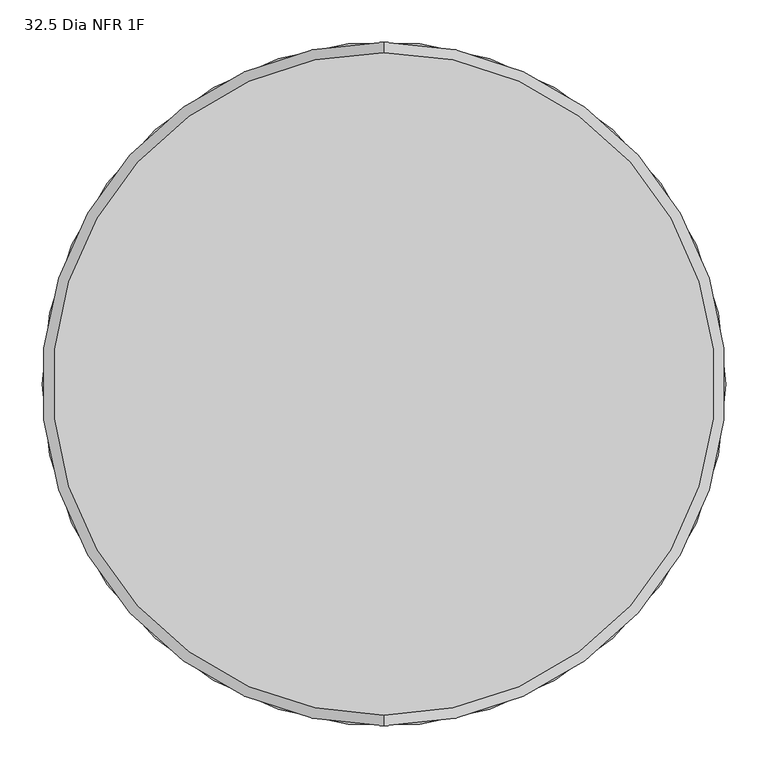
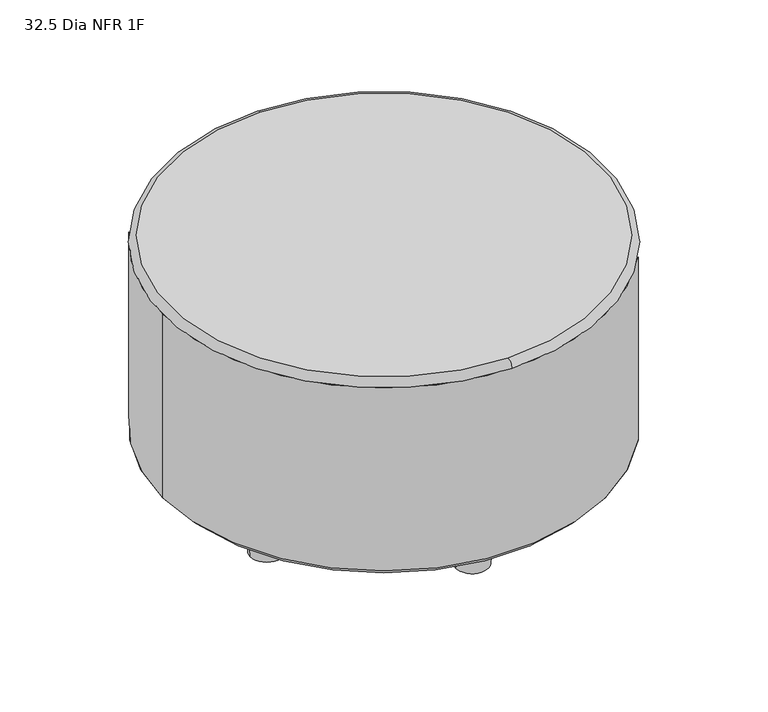
"""IFC4 building model written with IfcOpenShell, lengths in millimetres: furniture geometry, 32.5 Dia NFR 1F."""

from ifc_helpers import new_model, si_unit, point, frame, frame_2d, origin, origin_with_axes, place, context, project, spatial, polyline, circle_curve, ellipse_curve, trimmed, segment, composite_curve, outline, extrude, source, transform, mapped, element, save
from ifc_brep_helpers import plane_surface, cylinder_surface, revolved_surface, advanced_brep


def furniture_32_5_dia_nfr_1f_b6389110(model_context):
    return source(origin(), model_context, "Body", "SolidModel", [
        extrude(outline(composite_curve([segment(trimmed(circle_curve(frame_2d((166.37, 223.52)), 15.24), [point((151.13, 223.52))], [point((181.61, 223.52))], False, "CARTESIAN"), True, "CONTINUOUS"), segment(trimmed(circle_curve(frame_2d((166.37, 223.52)), 15.24), [point((181.61, 223.52))], [point((151.13, 223.52))], False, "CARTESIAN"), True, "CONTINUOUS")], self_intersect=False)), origin_with_axes(), (0.0, 0.0, 1.0), 2.2283172),
        extrude(outline(composite_curve([segment(trimmed(circle_curve(frame_2d((266.7, -88.9)), 15.24), [point((251.46, -88.9))], [point((281.94, -88.9))], False, "CARTESIAN"), True, "CONTINUOUS"), segment(trimmed(circle_curve(frame_2d((266.7, -88.9)), 15.24), [point((281.94, -88.9))], [point((251.46, -88.9))], False, "CARTESIAN"), True, "CONTINUOUS")], self_intersect=False)), origin_with_axes(), (0.0, 0.0, 1.0), 2.2283172),
        extrude(outline(composite_curve([segment(trimmed(circle_curve(frame_2d((0.0, -279.4)), 15.24), [point((-15.24, -279.4))], [point((15.24, -279.4))], False, "CARTESIAN"), True, "CONTINUOUS"), segment(trimmed(circle_curve(frame_2d((0.0, -279.4)), 15.24), [point((15.24, -279.4))], [point((-15.24, -279.4))], False, "CARTESIAN"), True, "CONTINUOUS")], self_intersect=False)), origin_with_axes(), (0.0, 0.0, 1.0), 2.2283172),
        extrude(outline(composite_curve([segment(trimmed(circle_curve(frame_2d((-266.7, -88.9)), 15.24), [point((-281.94, -88.9))], [point((-251.46, -88.9))], False, "CARTESIAN"), True, "CONTINUOUS"), segment(trimmed(circle_curve(frame_2d((-266.7, -88.9)), 15.24), [point((-251.46, -88.9))], [point((-281.94, -88.9))], False, "CARTESIAN"), True, "CONTINUOUS")], self_intersect=False)), origin_with_axes(), (0.0, 0.0, 1.0), 2.2283172),
        extrude(outline(composite_curve([segment(trimmed(circle_curve(frame_2d((-166.37, 223.52)), 15.24), [point((-181.61, 223.52))], [point((-151.13, 223.52))], False, "CARTESIAN"), True, "CONTINUOUS"), segment(trimmed(circle_curve(frame_2d((-166.37, 223.52)), 15.24), [point((-151.13, 223.52))], [point((-181.61, 223.52))], False, "CARTESIAN"), True, "CONTINUOUS")], self_intersect=False)), origin_with_axes(), (0.0, 0.0, 1.0), 2.2283172),
        advanced_brep(
        [(0.0, 393.7, 469.9), (0.0, -393.7, 469.9), (-406.4, 0.0, 101.6), (406.4, 0.0, 101.6), (406.4, 0.0, 457.2), (0.0, -406.4, 457.2), (-406.4, 0.0, 457.2), (0.0, 406.4, 457.2)],
        [
            (0, 1, circle_curve(frame((0.0, 0.0, 469.9), z_axis=(0.0, 0.0, 1.0), x_axis=(0.0, -1.0, 0.0)), 393.7)),
            (1, 0, circle_curve(frame((0.0, 0.0, 469.9), z_axis=(0.0, 0.0, 1.0), x_axis=(0.0, -1.0, 0.0)), 393.7)),
            (2, 3, circle_curve(frame((0.0, 0.0, 101.6), z_axis=(0.0, 0.0, -1.0), x_axis=(1.0, 0.0, 0.0)), 406.4)),
            (3, 2, circle_curve(frame((0.0, 0.0, 101.6), z_axis=(0.0, 0.0, -1.0), x_axis=(1.0, 0.0, 0.0)), 406.4)),
            (3, 4),
            (4, 5, circle_curve(frame((0.0, 0.0, 457.2), z_axis=(0.0, 0.0, -1.0), x_axis=(1.0, 0.0, 0.0)), 406.4)),
            (5, 6, circle_curve(frame((0.0, 0.0, 457.2), z_axis=(0.0, 0.0, -1.0), x_axis=(1.0, 0.0, 0.0)), 406.4)),
            (6, 2),
            (6, 7, circle_curve(frame((0.0, 0.0, 457.2), z_axis=(0.0, 0.0, -1.0), x_axis=(1.0, 0.0, 0.0)), 406.4)),
            (7, 4, circle_curve(frame((0.0, 0.0, 457.2), z_axis=(0.0, 0.0, -1.0), x_axis=(1.0, 0.0, 0.0)), 406.4)),
            (0, 7, circle_curve(frame((0.0, 393.7, 457.2), z_axis=(-1.0, 0.0, 0.0), x_axis=(0.0, -1.0, 0.0)), 12.7)),
            (5, 1, circle_curve(frame((0.0, -393.7, 457.2), z_axis=(-1.0, 0.0, 0.0), x_axis=(0.0, 1.0, 0.0)), 12.7)),
        ],
        [
            plane_surface(frame((406.4, 0.0, 469.9), z_axis=(0.0, 0.0, 1.0), x_axis=(0.0, 1.0, 0.0))),
            plane_surface(frame((406.4, 0.0, 101.6), z_axis=(0.0, 0.0, -1.0), x_axis=(0.0, -1.0, 0.0))),
            cylinder_surface(frame((0.0, 0.0, 101.6), z_axis=(0.0, 0.0, 1.0), x_axis=(1.0, 0.0, 0.0)), 406.4),
            revolved_surface(trimmed(ellipse_curve(frame((0.0, -393.7, 457.2), z_axis=(1.0, 0.0, 0.0), x_axis=(0.0, 1.0, 0.0)), 12.7, 12.7), [point((0.0, -393.7, 469.9))], [point((0.0, -406.4, 457.2))], True, "CARTESIAN"), (0.0, 0.0, 457.2), (0.0, 0.0, -1.0)),
        ],
        [
            (0, [[1, 2]]),
            (1, [[3, 4]]),
            (2, [[-4, 5, 6, 7, 8]]),
            (2, [[-3, -8, 9, 10, -5]]),
            (3, [[11, -9, -7, 12, -1]]),
            (3, [[-11, -2, -12, -6, -10]]),
        ],
    ),
        advanced_brep(
        [(-393.7, 0.0, 88.9), (393.7, 0.0, 88.9), (-406.4, 0.0, 101.6), (406.4, 0.0, 101.6)],
        [
            (0, 1, circle_curve(frame((0.0, 0.0, 88.9), z_axis=(0.0, 0.0, -1.0), x_axis=(-1.0, 0.0, 0.0)), 393.7)),
            (1, 0, circle_curve(frame((0.0, 0.0, 88.9), z_axis=(0.0, 0.0, -1.0), x_axis=(1.0, 0.0, 0.0)), 393.7)),
            (2, 3, circle_curve(frame((0.0, 0.0, 101.6), z_axis=(0.0, 0.0, 1.0), x_axis=(1.0, 0.0, 0.0)), 406.4)),
            (3, 2, circle_curve(frame((0.0, 0.0, 101.6), z_axis=(0.0, 0.0, 1.0), x_axis=(-1.0, 0.0, 0.0)), 406.4)),
            (2, 0),
            (1, 3),
        ],
        [
            plane_surface(frame((0.0, 0.0, 88.9), z_axis=(0.0, 0.0, -1.0), x_axis=(0.0, -1.0, 0.0))),
            plane_surface(frame((0.0, 0.0, 101.6), z_axis=(0.0, 0.0, 1.0), x_axis=(0.0, -1.0, 0.0))),
            revolved_surface(polyline([(393.70000000000005, 0.0, 88.90000000000003), (406.4, 0.0, 101.59999999999997)]), (0.0, 0.0, -304.8), (0.0, 0.0, 1.0)),
            revolved_surface(polyline([(-393.70000000000005, 0.0, 88.90000000000003), (-406.4, 0.0, 101.59999999999997)]), (0.0, 0.0, -304.8), (0.0, 0.0, 1.0)),
        ],
        [
            (0, [[1, 2]]),
            (1, [[3, 4]]),
            (2, [[-3, 5, -2, 6]]),
            (3, [[-4, -6, -1, -5]]),
        ],
    ),
        advanced_brep(
        [(236.7534, -88.9, 2.2283172), (296.6466, -88.9, 2.2283172), (231.648, -88.9, 88.9), (301.752, -88.9, 88.9)],
        [
            (0, 1, circle_curve(frame((266.7, -88.9, 2.2283172), z_axis=(0.0, 0.0, -1.0), x_axis=(-1.0, 0.0, 0.0)), 29.9466)),
            (1, 0, circle_curve(frame((266.7, -88.9, 2.2283172), z_axis=(0.0, 0.0, -1.0), x_axis=(1.0, 0.0, 0.0)), 29.9466)),
            (2, 3, circle_curve(frame((266.7, -88.9, 88.9), z_axis=(0.0, 0.0, 1.0), x_axis=(1.0, 0.0, 0.0)), 35.052)),
            (3, 2, circle_curve(frame((266.7, -88.9, 88.9), z_axis=(0.0, 0.0, 1.0), x_axis=(-1.0, 0.0, 0.0)), 35.052)),
            (2, 0),
            (1, 3),
        ],
        [
            plane_surface(frame((266.7, -88.9, 2.2283172), z_axis=(0.0, 0.0, -1.0), x_axis=(0.0, -1.0, 0.0))),
            plane_surface(frame((266.7, -88.9, 88.9), z_axis=(0.0, 0.0, 1.0), x_axis=(0.0, -1.0, 0.0))),
            revolved_surface(polyline([(296.646600001319, -88.9, 2.2283171999999922), (301.752, -88.9, 88.89999999999998)]), (266.7, -88.9, -506.1593149), (0.0, 0.0, 1.0)),
            revolved_surface(polyline([(236.75339999868103, -88.9, 2.2283171999999922), (231.648, -88.9, 88.89999999999998)]), (266.7, -88.9, -506.1593149), (0.0, 0.0, 1.0)),
        ],
        [
            (0, [[1, 2]]),
            (1, [[3, 4]]),
            (2, [[-3, 5, -2, 6]]),
            (3, [[-4, -6, -1, -5]]),
        ],
    ),
        advanced_brep(
        [(-296.6466, -88.9, 2.237457), (-236.7534, -88.9, 2.237457), (-301.752, -88.9, 88.9), (-231.648, -88.9, 88.9)],
        [
            (0, 1, circle_curve(frame((-266.7, -88.9, 2.237457), z_axis=(0.0, 0.0, -1.0), x_axis=(-1.0, 0.0, 0.0)), 29.9466)),
            (1, 0, circle_curve(frame((-266.7, -88.9, 2.237457), z_axis=(0.0, 0.0, -1.0), x_axis=(1.0, 0.0, 0.0)), 29.9466)),
            (2, 3, circle_curve(frame((-266.7, -88.9, 88.9), z_axis=(0.0, 0.0, 1.0), x_axis=(1.0, 0.0, 0.0)), 35.052)),
            (3, 2, circle_curve(frame((-266.7, -88.9, 88.9), z_axis=(0.0, 0.0, 1.0), x_axis=(-1.0, 0.0, 0.0)), 35.052)),
            (2, 0),
            (1, 3),
        ],
        [
            plane_surface(frame((-266.7, -88.9, 2.237457), z_axis=(0.0, 0.0, -1.0), x_axis=(0.0, -1.0, 0.0))),
            plane_surface(frame((-266.7, -88.9, 88.9), z_axis=(0.0, 0.0, 1.0), x_axis=(0.0, -1.0, 0.0))),
            revolved_surface(polyline([(-236.7534000015496, -88.9, 2.2374570000000062), (-231.648, -88.9, 88.90000000000003)]), (-266.7, -88.9, -506.0965637), (0.0, 0.0, 1.0)),
            revolved_surface(polyline([(-296.64659999845037, -88.9, 2.2374570000000062), (-301.752, -88.9, 88.90000000000003)]), (-266.7, -88.9, -506.0965637), (0.0, 0.0, 1.0)),
        ],
        [
            (0, [[1, 2]]),
            (1, [[3, 4]]),
            (2, [[-3, 5, -2, 6]]),
            (3, [[-4, -6, -1, -5]]),
        ],
    ),
        advanced_brep(
        [(-29.9466, -279.4, 2.2283172), (29.9466, -279.4, 2.2283172), (-35.052, -279.4, 88.9), (35.052, -279.4, 88.9)],
        [
            (0, 1, circle_curve(frame((0.0, -279.4, 2.2283172), z_axis=(0.0, 0.0, -1.0), x_axis=(-1.0, 0.0, 0.0)), 29.9466)),
            (1, 0, circle_curve(frame((0.0, -279.4, 2.2283172), z_axis=(0.0, 0.0, -1.0), x_axis=(1.0, 0.0, 0.0)), 29.9466)),
            (2, 3, circle_curve(frame((0.0, -279.4, 88.9), z_axis=(0.0, 0.0, 1.0), x_axis=(1.0, 0.0, 0.0)), 35.052)),
            (3, 2, circle_curve(frame((0.0, -279.4, 88.9), z_axis=(0.0, 0.0, 1.0), x_axis=(-1.0, 0.0, 0.0)), 35.052)),
            (2, 0),
            (1, 3),
        ],
        [
            plane_surface(frame((0.0, -279.4, 2.2283172), z_axis=(0.0, 0.0, -1.0), x_axis=(0.0, -1.0, 0.0))),
            plane_surface(frame((0.0, -279.4, 88.9), z_axis=(0.0, 0.0, 1.0), x_axis=(0.0, -1.0, 0.0))),
            revolved_surface(polyline([(29.946600001318963, -279.4, 2.2283171999999922), (35.052, -279.4, 88.89999999999998)]), (0.0, -279.4, -506.1593149), (0.0, 0.0, 1.0)),
            revolved_surface(polyline([(-29.946600001318963, -279.4, 2.2283171999999922), (-35.052, -279.4, 88.89999999999998)]), (0.0, -279.4, -506.1593149), (0.0, 0.0, 1.0)),
        ],
        [
            (0, [[1, 2]]),
            (1, [[3, 4]]),
            (2, [[-3, 5, -2, 6]]),
            (3, [[-4, -6, -1, -5]]),
        ],
    ),
        advanced_brep(
        [(136.4234, 223.52, 2.2283172), (196.3166, 223.52, 2.2283172), (131.318, 223.52, 88.9), (201.422, 223.52, 88.9)],
        [
            (0, 1, circle_curve(frame((166.37, 223.52, 2.2283172), z_axis=(0.0, 0.0, -1.0), x_axis=(-1.0, 0.0, 0.0)), 29.9466)),
            (1, 0, circle_curve(frame((166.37, 223.52, 2.2283172), z_axis=(0.0, 0.0, -1.0), x_axis=(1.0, 0.0, 0.0)), 29.9466)),
            (2, 3, circle_curve(frame((166.37, 223.52, 88.9), z_axis=(0.0, 0.0, 1.0), x_axis=(1.0, 0.0, 0.0)), 35.052)),
            (3, 2, circle_curve(frame((166.37, 223.52, 88.9), z_axis=(0.0, 0.0, 1.0), x_axis=(-1.0, 0.0, 0.0)), 35.052)),
            (2, 0),
            (1, 3),
        ],
        [
            plane_surface(frame((166.37, 223.52, 2.2283172), z_axis=(0.0, 0.0, -1.0), x_axis=(0.0, -1.0, 0.0))),
            plane_surface(frame((166.37, 223.52, 88.9), z_axis=(0.0, 0.0, 1.0), x_axis=(0.0, -1.0, 0.0))),
            revolved_surface(polyline([(196.31660000131896, 223.52, 2.2283171999999922), (201.422, 223.52, 88.89999999999998)]), (166.37, 223.52, -506.1593149), (0.0, 0.0, 1.0)),
            revolved_surface(polyline([(136.42339999868105, 223.52, 2.2283171999999922), (131.318, 223.52, 88.89999999999998)]), (166.37, 223.52, -506.1593149), (0.0, 0.0, 1.0)),
        ],
        [
            (0, [[1, 2]]),
            (1, [[3, 4]]),
            (2, [[-3, 5, -2, 6]]),
            (3, [[-4, -6, -1, -5]]),
        ],
    ),
        advanced_brep(
        [(-196.3166, 223.52, 2.2283172), (-136.4234, 223.52, 2.2283172), (-201.422, 223.52, 88.9), (-131.318, 223.52, 88.9)],
        [
            (0, 1, circle_curve(frame((-166.37, 223.52, 2.2283172), z_axis=(0.0, 0.0, -1.0), x_axis=(-1.0, 0.0, 0.0)), 29.9466)),
            (1, 0, circle_curve(frame((-166.37, 223.52, 2.2283172), z_axis=(0.0, 0.0, -1.0), x_axis=(1.0, 0.0, 0.0)), 29.9466)),
            (2, 3, circle_curve(frame((-166.37, 223.52, 88.9), z_axis=(0.0, 0.0, 1.0), x_axis=(1.0, 0.0, 0.0)), 35.052)),
            (3, 2, circle_curve(frame((-166.37, 223.52, 88.9), z_axis=(0.0, 0.0, 1.0), x_axis=(-1.0, 0.0, 0.0)), 35.052)),
            (2, 0),
            (1, 3),
        ],
        [
            plane_surface(frame((-166.37, 223.52, 2.2283172), z_axis=(0.0, 0.0, -1.0), x_axis=(0.0, -1.0, 0.0))),
            plane_surface(frame((-166.37, 223.52, 88.9), z_axis=(0.0, 0.0, 1.0), x_axis=(0.0, -1.0, 0.0))),
            revolved_surface(polyline([(-136.42339999868105, 223.52, 2.2283171999999922), (-131.318, 223.52, 88.89999999999998)]), (-166.37, 223.52, -506.1593149), (0.0, 0.0, 1.0)),
            revolved_surface(polyline([(-196.31660000131896, 223.52, 2.2283171999999922), (-201.422, 223.52, 88.89999999999998)]), (-166.37, 223.52, -506.1593149), (0.0, 0.0, 1.0)),
        ],
        [
            (0, [[1, 2]]),
            (1, [[3, 4]]),
            (2, [[-3, 5, -2, 6]]),
            (3, [[-4, -6, -1, -5]]),
        ],
    ),
    ])


if __name__ == "__main__":
    model = new_model("IFC4")
    model_context = context("Model", 3, world=origin())
    ifc_project = project(units=[si_unit("LENGTHUNIT", "METRE", prefix="MILLI")], contexts=[model_context])
    site = spatial("IfcSite", under=ifc_project)
    building = spatial("IfcBuilding", under=site)
    placement = place(None, origin())
    furniture_32_5_dia_nfr_1f_shape = furniture_32_5_dia_nfr_1f_b6389110(model_context)
    element("IfcFurniture", 1, ObjectType="32.5 Dia NFR 1F", at=placement, inside=building, context=model_context, shape_type="MappedRepresentation", body=[
        mapped(furniture_32_5_dia_nfr_1f_shape, transform((0.0, 0.0, 0.0), x_axis=(1.0, 0.0, 0.0), y_axis=(0.0, 1.0, 0.0), z_axis=(0.0, 0.0, 1.0))),
    ])
    save(model, "model.ifc")
